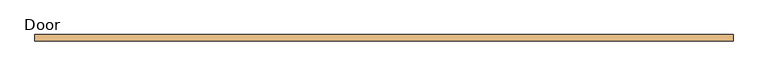
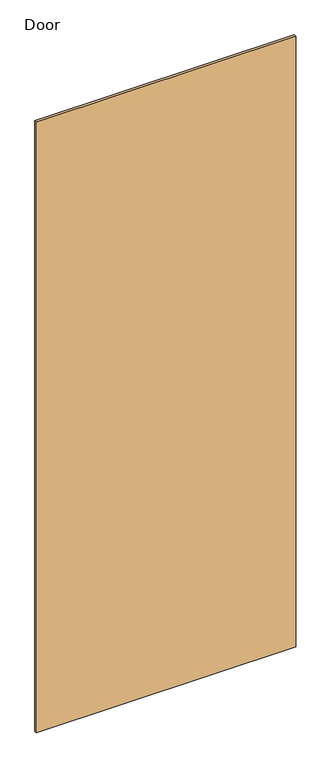
"""IFC4 building model written with IfcOpenShell, lengths in millimetres: door geometry, Door."""

from ifc_helpers import new_model, si_unit, origin, origin_with_axes, place, context, project, spatial, polyline, outline, extrude, source, transform, mapped, element, save


def door_e8026c6f(model_context):
    return source(origin(), model_context, "Body", "SweptSolid", [
        extrude(outline(polyline([(560.2021531, 3.9945157), (560.2021531, -5.5304843), (-500.2478469, -5.5304843), (-500.2478469, 3.9945157), (560.2021531, 3.9945157)])), origin_with_axes(), (0.0, 0.0, 1.0), 2638.425),
    ])


if __name__ == "__main__":
    model = new_model("IFC4")
    model_context = context("Model", 3, world=origin())
    ifc_project = project(units=[si_unit("LENGTHUNIT", "METRE", prefix="MILLI")], contexts=[model_context])
    site = spatial("IfcSite", under=ifc_project)
    building = spatial("IfcBuilding", under=site)
    placement = place(None, origin())
    door_shape = door_e8026c6f(model_context)
    element("IfcDoor", 1, ObjectType="Door", at=placement, inside=building, context=model_context, shape_type="MappedRepresentation", body=[
        mapped(door_shape, transform((0.0, 0.0, 0.0), x_axis=(1.0, 0.0, 0.0), y_axis=(0.0, 1.0, 0.0), z_axis=(0.0, 0.0, 1.0))),
    ])
    save(model, "model.ifc")
